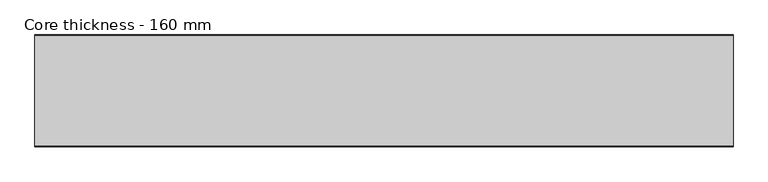
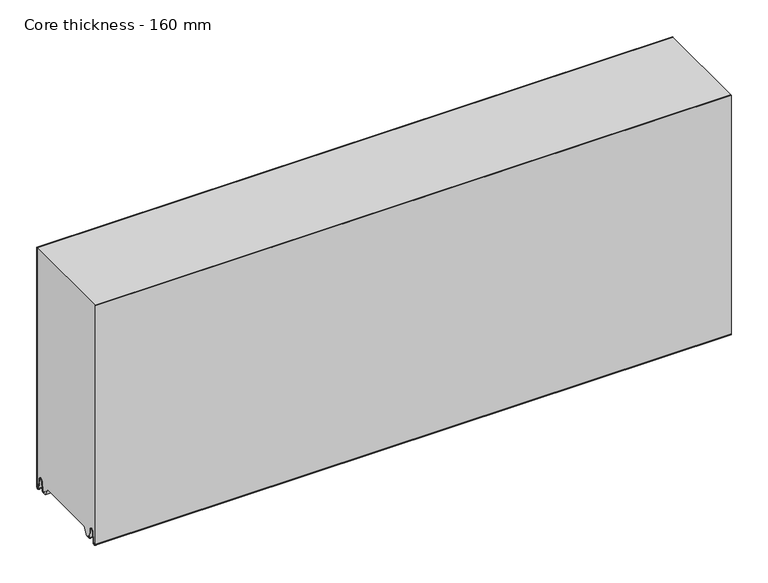
"""IFC4 building model written with IfcOpenShell, lengths in millimetres: plate geometry, Core thickness - 160 mm."""

from ifc_helpers import new_model, si_unit, frame, origin, place, context, project, spatial, polyline, circle_curve, source, transform, mapped, element, save
from ifc_brep_helpers import plane_surface, cylinder_surface, revolved_surface, advanced_brep


def core_thickness_160_mm_d66281f5(model_context):
    return source(origin(), model_context, "Body", "AdvancedBrep", [
        advanced_brep(
        [(500.0000002, -159.9996949, 2.9900682), (500.0000002, -153.81449, 2.6875612), (500.0000002, -152.197116, 19.1828169), (500.0000002, -149.1776715, 21.8898782), (500.0000002, -146.1582271, 19.1828169), (500.0000002, -144.7725998, 5.0510966), (500.0000002, -140.3830995, 5.265779), (500.0000002, -141.1830995, 5.265779), (500.0000002, -143.9764178, 5.1291629), (500.0000002, -145.3620451, 19.2608832), (500.0000002, -149.1776715, 22.6899182), (500.0000002, -152.9932979, 19.2608832), (500.0000002, -154.6106719, 2.7656275), (500.0000002, -159.1996949, 2.9900682), (500.0000002, -159.2, 400.0), (500.0000002, -159.9996949, 400.0), (-500.0000002, -159.1996949, 2.9900682), (-500.0000002, -154.6106719, 2.7656275), (-500.0000002, -152.9932979, 19.2608832), (-500.0000002, -149.1776715, 22.6899182), (-500.0000002, -145.3620451, 19.2608832), (-500.0000002, -143.9764178, 5.1291629), (-500.0000002, -141.1830995, 5.265779), (-500.0000002, -140.3830995, 5.265779), (-500.0000002, -144.7725998, 5.0510966), (-500.0000002, -146.1582271, 19.1828169), (-500.0000002, -149.1776715, 21.8898782), (-500.0000002, -152.197116, 19.1828169), (-500.0000002, -153.81449, 2.6875612), (-500.0000002, -159.9996949, 2.9900682), (-500.0000002, -159.9996949, 400.0), (-500.0000002, -159.2, 400.0)],
        [
            (0, 1, circle_curve(frame((500.0000002, -156.8996949, 2.9900682), z_axis=(1.0, 0.0, 0.0), x_axis=(0.0, 0.0, -1.0)), 3.1)),
            (1, 2),
            (2, 3, circle_curve(frame((500.0000002, -149.2114338, 18.8900682), z_axis=(-1.0, 0.0, 0.0), x_axis=(0.0, 0.0, -1.0)), 3.0)),
            (3, 4, circle_curve(frame((500.0000002, -149.1439093, 18.8900682), z_axis=(-1.0, 0.0, 0.0), x_axis=(0.0, 0.0, -1.0)), 3.0)),
            (4, 5),
            (5, 6, circle_curve(frame((500.0000002, -142.5830995, 5.265779), z_axis=(1.0, 0.0, 0.0), x_axis=(0.0, 0.0, -1.0)), 2.2)),
            (6, 7),
            (7, 8, circle_curve(frame((500.0000002, -142.5830995, 5.265779), z_axis=(-1.0, 0.0, 0.0), x_axis=(0.0, 0.0, -1.0)), 1.4)),
            (8, 9),
            (9, 10, circle_curve(frame((500.0000002, -149.1439093, 18.8900682), z_axis=(1.0, 0.0, 0.0), x_axis=(0.0, 0.0, -1.0)), 3.8)),
            (10, 11, circle_curve(frame((500.0000002, -149.2114338, 18.8900682), z_axis=(1.0, 0.0, 0.0), x_axis=(0.0, 0.0, -1.0)), 3.8)),
            (11, 12),
            (12, 13, circle_curve(frame((500.0000002, -156.8996949, 2.9900682), z_axis=(-1.0, 0.0, 0.0), x_axis=(0.0, 0.0, -1.0)), 2.3)),
            (13, 14),
            (14, 15),
            (15, 0),
            (16, 17, circle_curve(frame((-500.0000002, -156.8996949, 2.9900682), z_axis=(1.0, 0.0, 0.0), x_axis=(0.0, 0.0, -1.0)), 2.3)),
            (17, 18),
            (18, 19, circle_curve(frame((-500.0000002, -149.2114338, 18.8900682), z_axis=(-1.0, 0.0, 0.0), x_axis=(0.0, 0.0, -1.0)), 3.8)),
            (19, 20, circle_curve(frame((-500.0000002, -149.1439093, 18.8900682), z_axis=(-1.0, 0.0, 0.0), x_axis=(0.0, 0.0, -1.0)), 3.8)),
            (20, 21),
            (21, 22, circle_curve(frame((-500.0000002, -142.5830995, 5.265779), z_axis=(1.0, 0.0, 0.0), x_axis=(0.0, 0.0, -1.0)), 1.4)),
            (22, 23),
            (23, 24, circle_curve(frame((-500.0000002, -142.5830995, 5.265779), z_axis=(-1.0, 0.0, 0.0), x_axis=(0.0, 0.0, -1.0)), 2.2)),
            (24, 25),
            (25, 26, circle_curve(frame((-500.0000002, -149.1439093, 18.8900682), z_axis=(1.0, 0.0, 0.0), x_axis=(0.0, 0.0, -1.0)), 3.0)),
            (26, 27, circle_curve(frame((-500.0000002, -149.2114338, 18.8900682), z_axis=(1.0, 0.0, 0.0), x_axis=(0.0, 0.0, -1.0)), 3.0)),
            (27, 28),
            (28, 29, circle_curve(frame((-500.0000002, -156.8996949, 2.9900682), z_axis=(-1.0, 0.0, 0.0), x_axis=(0.0, 0.0, -1.0)), 3.1)),
            (29, 30),
            (30, 31),
            (31, 16),
            (13, 16),
            (31, 14),
            (29, 0),
            (15, 30),
            (12, 17),
            (11, 18),
            (10, 19),
            (9, 20),
            (8, 21),
            (7, 22),
            (6, 23),
            (5, 24),
            (4, 25),
            (3, 26),
            (2, 27),
            (1, 28),
        ],
        [
            plane_surface(frame((500.0000002, -160.0, 0.0), z_axis=(1.0, 0.0, 0.0), x_axis=(0.0, 1.0, 0.0))),
            plane_surface(frame((-500.0000002, -160.0, 0.0), z_axis=(-1.0, 0.0, 0.0), x_axis=(0.0, 1.0, 0.0))),
            plane_surface(frame((500.0000002, -159.2, 2.9900682), z_axis=(0.0, 1.0, 0.0), x_axis=(-1.0, 0.0, 0.0))),
            plane_surface(frame((500.0000002, -159.9996949, 1093.8000005), z_axis=(0.0, -1.0, 0.0), x_axis=(-1.0, 0.0, 0.0))),
            revolved_surface(polyline([(-500.0000002, -156.8996949, 0.6900682000000002), (500.0000002, -156.8996949, 0.6900682000000002)]), (500.0000002, -156.8996949, 2.9900682), (-1.0, 0.0, 0.0)),
            plane_surface(frame((500.0000002, -152.9932979, 19.2608832), z_axis=(0.0, -0.9952273999818314, 0.09758289975914787), x_axis=(-1.0, 0.0, 0.0))),
            cylinder_surface(frame((500.0000002, -149.2114338, 18.8900682), z_axis=(1.0, 0.0, 0.0), x_axis=(0.0, 0.0, -1.0)), 3.8),
            cylinder_surface(frame((500.0000002, -149.1439093, 18.8900682), z_axis=(1.0, 0.0, 0.0), x_axis=(0.0, 0.0, -1.0)), 3.8),
            plane_surface(frame((500.0000002, -143.9764178, 5.1291629), z_axis=(0.0, 0.9952273999818297, 0.09758289975916531), x_axis=(-1.0, 0.0, 0.0))),
            revolved_surface(polyline([(-500.0000002, -142.5830995, 3.8657790000000003), (500.0000002, -142.5830995, 3.8657790000000003)]), (500.0000002, -142.5830995, 5.265779), (-1.0, 0.0, 0.0)),
            plane_surface(frame((500.0000002, -140.3830995, 5.265779), z_axis=(0.0, 0.0, 1.0), x_axis=(-1.0, 0.0, 0.0))),
            cylinder_surface(frame((500.0000002, -142.5830995, 5.265779), z_axis=(1.0, 0.0, 0.0), x_axis=(0.0, 0.0, -1.0)), 2.2),
            plane_surface(frame((500.0000002, -146.1582271, 19.1828169), z_axis=(0.0, -0.9952273999818296, -0.09758289975916527), x_axis=(-1.0, 0.0, 0.0))),
            revolved_surface(polyline([(-500.0000002, -149.1439093, 15.890068200000002), (500.0000002, -149.1439093, 15.890068200000002)]), (500.0000002, -149.1439093, 18.8900682), (-1.0, 0.0, 0.0)),
            revolved_surface(polyline([(-500.0000002, -149.2114338, 15.890068200000002), (500.0000002, -149.2114338, 15.890068200000002)]), (500.0000002, -149.2114338, 18.8900682), (-1.0, 0.0, 0.0)),
            plane_surface(frame((500.0000002, -153.81449, 2.6875612), z_axis=(0.0, 0.9952273999818314, -0.09758289975914787), x_axis=(-1.0, 0.0, 0.0))),
            cylinder_surface(frame((500.0000002, -156.8996949, 2.9900682), z_axis=(1.0, 0.0, 0.0), x_axis=(0.0, 0.0, -1.0)), 3.1),
            plane_surface(frame((-500.0000002, 134.0533409, 400.0), z_axis=(0.0, 0.0, 1.0), x_axis=(1.0, 0.0, 0.0))),
        ],
        [
            (0, [[1, 2, 3, 4, 5, 6, 7, 8, 9, 10, 11, 12, 13, 14, 15, 16]]),
            (1, [[17, 18, 19, 20, 21, 22, 23, 24, 25, 26, 27, 28, 29, 30, 31, 32]]),
            (2, [[33, -32, 34, -14]]),
            (3, [[35, -16, 36, -30]]),
            (4, [[-13, 37, -17, -33]]),
            (5, [[-12, 38, -18, -37]]),
            (6, [[-11, 39, -19, -38]]),
            (7, [[-10, 40, -20, -39]]),
            (8, [[-9, 41, -21, -40]]),
            (9, [[-8, 42, -22, -41]]),
            (10, [[-7, 43, -23, -42]]),
            (11, [[-6, 44, -24, -43]]),
            (12, [[-5, 45, -25, -44]]),
            (13, [[-4, 46, -26, -45]]),
            (14, [[-3, 47, -27, -46]]),
            (15, [[-2, 48, -28, -47]]),
            (16, [[-1, -35, -29, -48]]),
            (17, [[-15, -34, -31, -36]]),
        ],
    ),
        advanced_brep(
        [(500.0000002, -0.8003051, 2.9900682), (500.0000002, -5.3893281, 2.7656275), (500.0000002, -7.0067021, 19.2608832), (500.0000002, -10.8223285, 22.6899182), (500.0000002, -14.6379549, 19.2608832), (500.0000002, -16.0235822, 5.1291629), (500.0000002, -18.8169005, 5.265779), (500.0000002, -19.6169005, 5.265779), (500.0000002, -15.2274002, 5.0510966), (500.0000002, -13.8417729, 19.1828169), (500.0000002, -10.8223285, 21.8898782), (500.0000002, -7.802884, 19.1828169), (500.0000002, -6.18551, 2.6875612), (500.0000002, -0.0003051, 2.9900682), (500.0000002, -0.0003051, 400.0), (500.0000002, -0.8, 400.0), (-500.0000002, -0.0003051, 2.9900682), (-500.0000002, -6.18551, 2.6875612), (-500.0000002, -7.802884, 19.1828169), (-500.0000002, -10.8223285, 21.8898782), (-500.0000002, -13.8417729, 19.1828169), (-500.0000002, -15.2274002, 5.0510966), (-500.0000002, -19.6169005, 5.265779), (-500.0000002, -18.8169005, 5.265779), (-500.0000002, -16.0235822, 5.1291629), (-500.0000002, -14.6379549, 19.2608832), (-500.0000002, -10.8223285, 22.6899182), (-500.0000002, -7.0067021, 19.2608832), (-500.0000002, -5.3893281, 2.7656275), (-500.0000002, -0.8003051, 2.9900682), (-500.0000002, -0.8, 400.0), (-500.0000002, -0.0003051, 400.0)],
        [
            (0, 1, circle_curve(frame((500.0000002, -3.1003051, 2.9900682), z_axis=(-1.0, 0.0, 0.0), x_axis=(0.0, 0.0, -1.0)), 2.3)),
            (1, 2),
            (2, 3, circle_curve(frame((500.0000002, -10.7885662, 18.8900682), z_axis=(1.0, 0.0, 0.0), x_axis=(0.0, 0.0, -1.0)), 3.8)),
            (3, 4, circle_curve(frame((500.0000002, -10.8560907, 18.8900682), z_axis=(1.0, 0.0, 0.0), x_axis=(0.0, 0.0, -1.0)), 3.8)),
            (4, 5),
            (5, 6, circle_curve(frame((500.0000002, -17.4169005, 5.265779), z_axis=(-1.0, 0.0, 0.0), x_axis=(0.0, 0.0, -1.0)), 1.4)),
            (6, 7),
            (7, 8, circle_curve(frame((500.0000002, -17.4169005, 5.265779), z_axis=(1.0, 0.0, 0.0), x_axis=(0.0, 0.0, -1.0)), 2.2)),
            (8, 9),
            (9, 10, circle_curve(frame((500.0000002, -10.8560907, 18.8900682), z_axis=(-1.0, 0.0, 0.0), x_axis=(0.0, 0.0, -1.0)), 3.0)),
            (10, 11, circle_curve(frame((500.0000002, -10.7885662, 18.8900682), z_axis=(-1.0, 0.0, 0.0), x_axis=(0.0, 0.0, -1.0)), 3.0)),
            (11, 12),
            (12, 13, circle_curve(frame((500.0000002, -3.1003051, 2.9900682), z_axis=(1.0, 0.0, 0.0), x_axis=(0.0, 0.0, -1.0)), 3.1)),
            (13, 14),
            (14, 15),
            (15, 0),
            (16, 17, circle_curve(frame((-500.0000002, -3.1003051, 2.9900682), z_axis=(-1.0, 0.0, 0.0), x_axis=(0.0, 0.0, -1.0)), 3.1)),
            (17, 18),
            (18, 19, circle_curve(frame((-500.0000002, -10.7885662, 18.8900682), z_axis=(1.0, 0.0, 0.0), x_axis=(0.0, 0.0, -1.0)), 3.0)),
            (19, 20, circle_curve(frame((-500.0000002, -10.8560907, 18.8900682), z_axis=(1.0, 0.0, 0.0), x_axis=(0.0, 0.0, -1.0)), 3.0)),
            (20, 21),
            (21, 22, circle_curve(frame((-500.0000002, -17.4169005, 5.265779), z_axis=(-1.0, 0.0, 0.0), x_axis=(0.0, 0.0, -1.0)), 2.2)),
            (22, 23),
            (23, 24, circle_curve(frame((-500.0000002, -17.4169005, 5.265779), z_axis=(1.0, 0.0, 0.0), x_axis=(0.0, 0.0, -1.0)), 1.4)),
            (24, 25),
            (25, 26, circle_curve(frame((-500.0000002, -10.8560907, 18.8900682), z_axis=(-1.0, 0.0, 0.0), x_axis=(0.0, 0.0, -1.0)), 3.8)),
            (26, 27, circle_curve(frame((-500.0000002, -10.7885662, 18.8900682), z_axis=(-1.0, 0.0, 0.0), x_axis=(0.0, 0.0, -1.0)), 3.8)),
            (27, 28),
            (28, 29, circle_curve(frame((-500.0000002, -3.1003051, 2.9900682), z_axis=(1.0, 0.0, 0.0), x_axis=(0.0, 0.0, -1.0)), 2.3)),
            (29, 30),
            (30, 31),
            (31, 16),
            (13, 16),
            (31, 14),
            (29, 0),
            (15, 30),
            (12, 17),
            (11, 18),
            (10, 19),
            (9, 20),
            (8, 21),
            (7, 22),
            (6, 23),
            (5, 24),
            (4, 25),
            (3, 26),
            (2, 27),
            (1, 28),
        ],
        [
            plane_surface(frame((500.0000002, 0.0, 0.0), z_axis=(1.0, 0.0, 0.0), x_axis=(0.0, -1.0, 0.0))),
            plane_surface(frame((-500.0000002, 0.0, 0.0), z_axis=(-1.0, 0.0, 0.0), x_axis=(0.0, -1.0, 0.0))),
            plane_surface(frame((500.0000002, -0.0003051, 2.9900682), z_axis=(0.0, 1.0, 0.0), x_axis=(-1.0, 0.0, 0.0))),
            plane_surface(frame((500.0000002, -0.8, 1093.8000005), z_axis=(0.0, -1.0, 0.0), x_axis=(-1.0, 0.0, 0.0))),
            cylinder_surface(frame((500.0000002, -3.1003051, 2.9900682), z_axis=(1.0, 0.0, 0.0), x_axis=(0.0, 0.0, -1.0)), 3.1),
            plane_surface(frame((500.0000002, -7.802884, 19.1828169), z_axis=(0.0, -0.9952273999818314, -0.09758289975914787), x_axis=(-1.0, 0.0, 0.0))),
            revolved_surface(polyline([(-500.0000002, -10.7885662, 15.890068200000002), (500.0000002, -10.7885662, 15.890068200000002)]), (500.0000002, -10.7885662, 18.8900682), (-1.0, 0.0, 0.0)),
            revolved_surface(polyline([(-500.0000002, -10.8560907, 15.890068200000002), (500.0000002, -10.8560907, 15.890068200000002)]), (500.0000002, -10.8560907, 18.8900682), (-1.0, 0.0, 0.0)),
            plane_surface(frame((500.0000002, -15.2274002, 5.0510966), z_axis=(0.0, 0.9952273999818296, -0.09758289975916527), x_axis=(-1.0, 0.0, 0.0))),
            cylinder_surface(frame((500.0000002, -17.4169005, 5.265779), z_axis=(1.0, 0.0, 0.0), x_axis=(0.0, 0.0, -1.0)), 2.2),
            plane_surface(frame((500.0000002, -18.8169005, 5.265779), z_axis=(0.0, 0.0, 1.0), x_axis=(-1.0, 0.0, 0.0))),
            revolved_surface(polyline([(-500.0000002, -17.4169005, 3.8657790000000003), (500.0000002, -17.4169005, 3.8657790000000003)]), (500.0000002, -17.4169005, 5.265779), (-1.0, 0.0, 0.0)),
            plane_surface(frame((500.0000002, -14.6379549, 19.2608832), z_axis=(0.0, -0.9952273999818297, 0.09758289975916531), x_axis=(-1.0, 0.0, 0.0))),
            cylinder_surface(frame((500.0000002, -10.8560907, 18.8900682), z_axis=(1.0, 0.0, 0.0), x_axis=(0.0, 0.0, -1.0)), 3.8),
            cylinder_surface(frame((500.0000002, -10.7885662, 18.8900682), z_axis=(1.0, 0.0, 0.0), x_axis=(0.0, 0.0, -1.0)), 3.8),
            plane_surface(frame((500.0000002, -5.3893281, 2.7656275), z_axis=(0.0, 0.9952273999818314, 0.09758289975914787), x_axis=(-1.0, 0.0, 0.0))),
            revolved_surface(polyline([(-500.0000002, -3.1003051, 0.6900682000000002), (500.0000002, -3.1003051, 0.6900682000000002)]), (500.0000002, -3.1003051, 2.9900682), (-1.0, 0.0, 0.0)),
            plane_surface(frame((-500.0000002, 134.0533409, 400.0), z_axis=(0.0, 0.0, 1.0), x_axis=(1.0, 0.0, 0.0))),
        ],
        [
            (0, [[1, 2, 3, 4, 5, 6, 7, 8, 9, 10, 11, 12, 13, 14, 15, 16]]),
            (1, [[17, 18, 19, 20, 21, 22, 23, 24, 25, 26, 27, 28, 29, 30, 31, 32]]),
            (2, [[33, -32, 34, -14]]),
            (3, [[35, -16, 36, -30]]),
            (4, [[-13, 37, -17, -33]]),
            (5, [[-12, 38, -18, -37]]),
            (6, [[-11, 39, -19, -38]]),
            (7, [[-10, 40, -20, -39]]),
            (8, [[-9, 41, -21, -40]]),
            (9, [[-8, 42, -22, -41]]),
            (10, [[-7, 43, -23, -42]]),
            (11, [[-6, 44, -24, -43]]),
            (12, [[-5, 45, -25, -44]]),
            (13, [[-4, 46, -26, -45]]),
            (14, [[-3, 47, -27, -46]]),
            (15, [[-2, 48, -28, -47]]),
            (16, [[-1, -35, -29, -48]]),
            (17, [[-15, -34, -31, -36]]),
        ],
    ),
        advanced_brep(
        [(500.0000002, -129.873448, 15.0417681), (500.0000002, -30.126552, 15.0417681), (500.0000002, -23.4086055, 3.0684055), (500.0000002, -17.4169005, 3.0684055), (500.0000002, -19.6169005, 5.265779), (500.0000002, -18.8169005, 5.265779), (500.0000002, -16.0235822, 5.1291629), (500.0000002, -14.6379549, 19.2608832), (500.0000002, -10.8223285, 22.6899182), (500.0000002, -7.0067021, 19.2608832), (500.0000002, -5.3893281, 2.7656275), (500.0000002, -0.8003051, 2.9900682), (500.0000002, -0.8, 400.0), (500.0000002, -159.2, 400.0), (500.0000002, -159.2, 2.9900682), (500.0000002, -154.6106719, 2.7656275), (500.0000002, -152.9932979, 19.2608832), (500.0000002, -149.1776715, 22.6899182), (500.0000002, -145.3620451, 19.2608832), (500.0000002, -143.9764178, 5.1291629), (500.0000002, -141.1830995, 5.265779), (500.0000002, -140.3830995, 5.265779), (500.0000002, -142.5830995, 3.065779), (500.0000002, -136.5913945, 3.0684055), (-500.0000002, -30.126552, 15.0417681), (-500.0000002, -129.873448, 15.0417681), (-500.0000002, -136.5913945, 3.0684055), (-500.0000002, -142.5830995, 3.0684055), (-500.0000002, -140.3830995, 5.265779), (-500.0000002, -141.1830995, 5.265779), (-500.0000002, -143.9764178, 5.1291629), (-500.0000002, -145.3620451, 19.2608832), (-500.0000002, -149.1776715, 22.6899182), (-500.0000002, -152.9932979, 19.2608832), (-500.0000002, -154.6106719, 2.7656275), (-500.0000002, -159.1996949, 2.9900682), (-500.0000002, -159.2, 400.0), (-500.0000002, -0.8, 400.0), (-500.0000002, -0.8, 2.9900682), (-500.0000002, -5.3893281, 2.7656275), (-500.0000002, -7.0067021, 19.2608832), (-500.0000002, -10.8223285, 22.6899182), (-500.0000002, -14.6379549, 19.2608832), (-500.0000002, -16.0235822, 5.1291629), (-500.0000002, -18.8169005, 5.265779), (-500.0000002, -19.6169005, 5.265779), (-500.0000002, -17.4169005, 3.065779), (-500.0000002, -23.4086055, 3.0684055)],
        [
            (0, 1),
            (1, 2),
            (2, 3),
            (3, 4, circle_curve(frame((500.0000002, -17.4169005, 5.265779), z_axis=(-1.0, 0.0, 0.0), x_axis=(0.0, 0.0, -1.0)), 2.2)),
            (4, 5),
            (5, 6, circle_curve(frame((500.0000002, -17.4169005, 5.265779), z_axis=(1.0, 0.0, 0.0), x_axis=(0.0, 0.0, -1.0)), 1.4)),
            (6, 7),
            (7, 8, circle_curve(frame((500.0000002, -10.8560907, 18.8900682), z_axis=(-1.0, 0.0, 0.0), x_axis=(0.0, 0.0, -1.0)), 3.8)),
            (8, 9, circle_curve(frame((500.0000002, -10.7885662, 18.8900682), z_axis=(-1.0, 0.0, 0.0), x_axis=(0.0, 0.0, -1.0)), 3.8)),
            (9, 10),
            (10, 11, circle_curve(frame((500.0000002, -3.1003051, 2.9900682), z_axis=(1.0, 0.0, 0.0), x_axis=(0.0, 0.0, -1.0)), 2.3)),
            (11, 12),
            (12, 13),
            (13, 14),
            (14, 15, circle_curve(frame((500.0000002, -156.8996949, 2.9900682), z_axis=(1.0, 0.0, 0.0), x_axis=(0.0, 0.0, -1.0)), 2.3)),
            (15, 16),
            (16, 17, circle_curve(frame((500.0000002, -149.2114338, 18.8900682), z_axis=(-1.0, 0.0, 0.0), x_axis=(0.0, 0.0, -1.0)), 3.8)),
            (17, 18, circle_curve(frame((500.0000002, -149.1439093, 18.8900682), z_axis=(-1.0, 0.0, 0.0), x_axis=(0.0, 0.0, -1.0)), 3.8)),
            (18, 19),
            (19, 20, circle_curve(frame((500.0000002, -142.5830995, 5.265779), z_axis=(1.0, 0.0, 0.0), x_axis=(0.0, 0.0, -1.0)), 1.4)),
            (20, 21),
            (21, 22, circle_curve(frame((500.0000002, -142.5830995, 5.265779), z_axis=(-1.0, 0.0, 0.0), x_axis=(0.0, 0.0, -1.0)), 2.2)),
            (22, 23),
            (23, 0),
            (24, 25),
            (25, 26),
            (26, 27),
            (27, 28, circle_curve(frame((-500.0000002, -142.5830995, 5.265779), z_axis=(1.0, 0.0, 0.0), x_axis=(0.0, 0.0, -1.0)), 2.2)),
            (28, 29),
            (29, 30, circle_curve(frame((-500.0000002, -142.5830995, 5.265779), z_axis=(-1.0, 0.0, 0.0), x_axis=(0.0, 0.0, -1.0)), 1.4)),
            (30, 31),
            (31, 32, circle_curve(frame((-500.0000002, -149.1439093, 18.8900682), z_axis=(1.0, 0.0, 0.0), x_axis=(0.0, 0.0, -1.0)), 3.8)),
            (32, 33, circle_curve(frame((-500.0000002, -149.2114338, 18.8900682), z_axis=(1.0, 0.0, 0.0), x_axis=(0.0, 0.0, -1.0)), 3.8)),
            (33, 34),
            (34, 35, circle_curve(frame((-500.0000002, -156.8996949, 2.9900682), z_axis=(-1.0, 0.0, 0.0), x_axis=(0.0, 0.0, -1.0)), 2.3)),
            (35, 36),
            (36, 37),
            (37, 38),
            (38, 39, circle_curve(frame((-500.0000002, -3.1003051, 2.9900682), z_axis=(-1.0, 0.0, 0.0), x_axis=(0.0, 0.0, -1.0)), 2.3)),
            (39, 40),
            (40, 41, circle_curve(frame((-500.0000002, -10.7885662, 18.8900682), z_axis=(1.0, 0.0, 0.0), x_axis=(0.0, 0.0, -1.0)), 3.8)),
            (41, 42, circle_curve(frame((-500.0000002, -10.8560907, 18.8900682), z_axis=(1.0, 0.0, 0.0), x_axis=(0.0, 0.0, -1.0)), 3.8)),
            (42, 43),
            (43, 44, circle_curve(frame((-500.0000002, -17.4169005, 5.265779), z_axis=(-1.0, 0.0, 0.0), x_axis=(0.0, 0.0, -1.0)), 1.4)),
            (44, 45),
            (45, 46, circle_curve(frame((-500.0000002, -17.4169005, 5.265779), z_axis=(1.0, 0.0, 0.0), x_axis=(0.0, 0.0, -1.0)), 2.2)),
            (46, 47),
            (47, 24),
            (1, 24),
            (47, 2),
            (0, 25),
            (23, 26),
            (46, 3),
            (22, 27),
            (35, 14),
            (13, 36),
            (34, 15),
            (33, 16),
            (32, 17),
            (31, 18),
            (30, 19),
            (29, 20),
            (28, 21),
            (12, 37),
            (11, 38),
            (45, 4),
            (44, 5),
            (43, 6),
            (42, 7),
            (41, 8),
            (40, 9),
            (39, 10),
        ],
        [
            plane_surface(frame((500.0000002, 0.0, 0.0), z_axis=(1.0, 0.0, 0.0), x_axis=(0.0, -1.0, 0.0))),
            plane_surface(frame((-500.0000002, 0.0, 0.0), z_axis=(-1.0, 0.0, 0.0), x_axis=(0.0, -1.0, 0.0))),
            plane_surface(frame((500.0000002, -30.126552, 15.0417681), z_axis=(0.0, -0.8721062992196836, -0.4893164649399687), x_axis=(-1.0, 0.0, 0.0))),
            plane_surface(frame((500.0000002, -129.873448, 15.0417681), z_axis=(0.0, 0.0, -1.0), x_axis=(-1.0, 0.0, 0.0))),
            plane_surface(frame((500.0000002, -136.8190247, 2.6627014), z_axis=(0.0, 0.8721062992196852, -0.48931646493996606), x_axis=(-1.0, 0.0, 0.0))),
            plane_surface(frame((-500.0000002, -142.5830995, 3.0684055), z_axis=(0.0, 0.0, -1.0), x_axis=(1.0, 0.0, 0.0))),
            plane_surface(frame((630.0000002, -159.2, 2.9900682), z_axis=(0.0, -1.0, 0.0), x_axis=(-1.0, 0.0, 0.0))),
            cylinder_surface(frame((630.0000002, -156.8996949, 2.9900682), z_axis=(-1.0, 0.0, 0.0), x_axis=(0.0, 0.0, -1.0)), 2.3),
            plane_surface(frame((630.0000002, -152.9932979, 19.2608832), z_axis=(0.0, 0.9952273999818314, -0.09758289975914787), x_axis=(-1.0, 0.0, 0.0))),
            revolved_surface(polyline([(500.0000002, -149.2114338, 15.090068200000001), (-500.00000020000004, -149.2114338, 15.090068200000001)]), (630.0000002, -149.2114338, 18.8900682), (1.0, 0.0, 0.0)),
            revolved_surface(polyline([(500.0000002, -149.1439093, 15.090068200000001), (-500.00000020000004, -149.1439093, 15.090068200000001)]), (630.0000002, -149.1439093, 18.8900682), (1.0, 0.0, 0.0)),
            plane_surface(frame((630.0000002, -143.9764178, 5.1291629), z_axis=(0.0, -0.9952273999818297, -0.09758289975916531), x_axis=(-1.0, 0.0, 0.0))),
            cylinder_surface(frame((630.0000002, -142.5830995, 5.265779), z_axis=(-1.0, 0.0, 0.0), x_axis=(0.0, 0.0, -1.0)), 1.4),
            plane_surface(frame((630.0000002, -140.3830995, 5.265779), z_axis=(0.0, 0.0, -1.0), x_axis=(-1.0, 0.0, 0.0))),
            revolved_surface(polyline([(500.0000002, -142.5830995, 3.065779), (-500.00000020000004, -142.5830995, 3.065779)]), (630.0000002, -142.5830995, 5.265779), (1.0, 0.0, 0.0)),
            plane_surface(frame((-500.0000002, 134.0533409, 400.0), z_axis=(0.0, 0.0, 1.0), x_axis=(1.0, 0.0, 0.0))),
            plane_surface(frame((630.0000002, -0.8, 1093.8000005), z_axis=(0.0, 1.0, 0.0), x_axis=(-1.0, 0.0, 0.0))),
            revolved_surface(polyline([(500.0000002, -17.4169005, 3.065779), (-500.00000020000004, -17.4169005, 3.065779)]), (630.0000002, -17.4169005, 5.265779), (1.0, 0.0, 0.0)),
            plane_surface(frame((630.0000002, -18.8169005, 5.265779), z_axis=(0.0, 0.0, -1.0), x_axis=(-1.0, 0.0, 0.0))),
            cylinder_surface(frame((630.0000002, -17.4169005, 5.265779), z_axis=(-1.0, 0.0, 0.0), x_axis=(0.0, 0.0, -1.0)), 1.4),
            plane_surface(frame((630.0000002, -14.6379549, 19.2608832), z_axis=(0.0, 0.9952273999818297, -0.09758289975916531), x_axis=(-1.0, 0.0, 0.0))),
            revolved_surface(polyline([(500.0000002, -10.8560907, 15.090068200000001), (-500.00000020000004, -10.8560907, 15.090068200000001)]), (630.0000002, -10.8560907, 18.8900682), (1.0, 0.0, 0.0)),
            revolved_surface(polyline([(500.0000002, -10.7885662, 15.090068200000001), (-500.00000020000004, -10.7885662, 15.090068200000001)]), (630.0000002, -10.7885662, 18.8900682), (1.0, 0.0, 0.0)),
            plane_surface(frame((630.0000002, -5.3893281, 2.7656275), z_axis=(0.0, -0.9952273999818314, -0.09758289975914787), x_axis=(-1.0, 0.0, 0.0))),
            cylinder_surface(frame((630.0000002, -3.1003051, 2.9900682), z_axis=(-1.0, 0.0, 0.0), x_axis=(0.0, 0.0, -1.0)), 2.3),
        ],
        [
            (0, [[1, 2, 3, 4, 5, 6, 7, 8, 9, 10, 11, 12, 13, 14, 15, 16, 17, 18, 19, 20, 21, 22, 23, 24]]),
            (1, [[25, 26, 27, 28, 29, 30, 31, 32, 33, 34, 35, 36, 37, 38, 39, 40, 41, 42, 43, 44, 45, 46, 47, 48]]),
            (2, [[49, -48, 50, -2]]),
            (3, [[-1, 51, -25, -49]]),
            (4, [[-51, -24, 52, -26]]),
            (5, [[-3, -50, -47, 53]]),
            (5, [[-23, 54, -27, -52]]),
            (6, [[55, -14, 56, -36]]),
            (7, [[-55, -35, 57, -15]]),
            (8, [[-57, -34, 58, -16]]),
            (9, [[-58, -33, 59, -17]]),
            (10, [[-59, -32, 60, -18]]),
            (11, [[-60, -31, 61, -19]]),
            (12, [[-61, -30, 62, -20]]),
            (13, [[-62, -29, 63, -21]]),
            (14, [[-63, -28, -54, -22]]),
            (15, [[64, -37, -56, -13]]),
            (16, [[65, -38, -64, -12]]),
            (17, [[66, -4, -53, -46]]),
            (18, [[-66, -45, 67, -5]]),
            (19, [[-67, -44, 68, -6]]),
            (20, [[-68, -43, 69, -7]]),
            (21, [[-69, -42, 70, -8]]),
            (22, [[-70, -41, 71, -9]]),
            (23, [[-71, -40, 72, -10]]),
            (24, [[-72, -39, -65, -11]]),
        ],
    ),
    ])


if __name__ == "__main__":
    model = new_model("IFC4")
    model_context = context("Model", 3, world=origin())
    ifc_project = project(units=[si_unit("LENGTHUNIT", "METRE", prefix="MILLI")], contexts=[model_context])
    site = spatial("IfcSite", under=ifc_project)
    building = spatial("IfcBuilding", under=site)
    placement = place(None, origin())
    core_thickness_160_mm_shape = core_thickness_160_mm_d66281f5(model_context)
    element("IfcPlate", 1, ObjectType="Core thickness - 160 mm", at=placement, inside=building, context=model_context, shape_type="MappedRepresentation", body=[
        mapped(core_thickness_160_mm_shape, transform((0.0, 0.0, 0.0), x_axis=(1.0, 0.0, 0.0), y_axis=(0.0, 1.0, 0.0), z_axis=(0.0, 0.0, 1.0))),
    ])
    save(model, "model.ifc")
